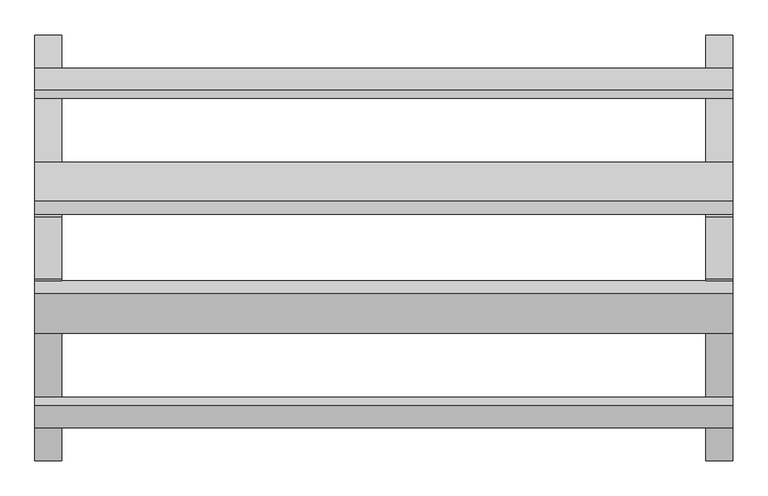
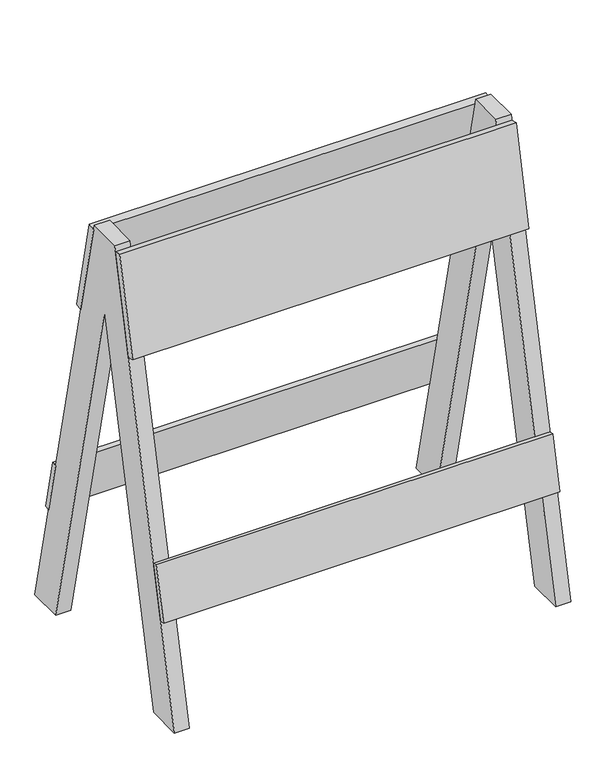
"""IFC4 building model written with IfcOpenShell, lengths in millimetres: geographic element geometry."""

from ifc_helpers import new_model, si_unit, frame, origin, place, context, project, spatial, polyline, outline, extrude, source, transform, mapped, element, save


def geographic_element_f3a5e555(model_context):
    return source(origin(), model_context, "Body", "SweptSolid", [
        extrude(outline(polyline([(0.0, -19.05), (0.0, 0.0), (1000.0, 0.0), (1000.0, -19.05), (0.0, -19.05)])), frame((629.4803909, -122.6515878, 885.4522518), z_axis=(0.0, 0.22208932905501, 0.975026322680519), x_axis=(-1.0, 0.0, 0.0)), (0.0, 0.0, 1.0), 254.0),
        extrude(outline(polyline([(0.0, -19.05), (0.0, 0.0), (1000.0, 0.0), (1000.0, -19.05), (0.0, -19.05)])), frame((629.4803909, 104.0773364, 881.22145), z_axis=(0.0, -0.22208932905501, 0.975026322680519), x_axis=(-1.0, 0.0, 0.0)), (0.0, 0.0, 1.0), 254.0),
        extrude(outline(polyline([(0.0, -12.7), (0.0, 0.0), (1000.0, 0.0), (1000.0, -12.7), (0.0, -12.7)])), frame((629.4803909, -257.4868946, 264.9002696), z_axis=(0.0, 0.22208932905500564, 0.97502632268052), x_axis=(-1.0, 0.0, 0.0)), (0.0, 0.0, 1.0), 139.7),
        extrude(outline(polyline([(0.0, -12.7), (0.0, 0.0), (1000.0, 0.0), (1000.0, -12.7), (0.0, -12.7)])), frame((629.4803909, 245.1040603, 262.0797351), z_axis=(0.0, -0.22208932905500564, 0.97502632268052), x_axis=(-1.0, 0.0, 0.0)), (0.0, 0.0, 1.0), 139.7),
        extrude(outline(polyline([(-304.8, 0.0), (-44.45, 1143.0), (44.45, 1143.0), (304.8, 0.0), (213.6229744, 0.0), (0.0, 937.8569607), (-213.6229744, 0.0), (-304.8, 0.0)])), frame((-370.5196091, 0.0, 0.0), z_axis=(1.0, 0.0, 0.0), x_axis=(0.0, 1.0, 0.0)), (0.0, 0.0, 1.0), 38.1),
        extrude(outline(polyline([(-304.8, 0.0), (-44.45, 1143.0), (44.45, 1143.0), (304.8, 0.0), (213.6229744, 0.0), (0.0, 937.8569607), (-213.6229744, 0.0), (-304.8, 0.0)])), frame((591.3803909, 0.0, 0.0), z_axis=(1.0, 0.0, 0.0), x_axis=(0.0, 1.0, 0.0)), (0.0, 0.0, 1.0), 38.1),
    ])


if __name__ == "__main__":
    model = new_model("IFC4")
    model_context = context("Model", 3, world=origin())
    ifc_project = project(units=[si_unit("LENGTHUNIT", "METRE", prefix="MILLI")], contexts=[model_context])
    site = spatial("IfcSite", under=ifc_project)
    building = spatial("IfcBuilding", under=site)
    placement = place(None, origin())
    geographic_element_shape = geographic_element_f3a5e555(model_context)
    element("IfcGeographicElement", 1, at=placement, inside=building, context=model_context, shape_type="MappedRepresentation", body=[
        mapped(geographic_element_shape, transform((0.0, 0.0, 0.0), x_axis=(1.0, 0.0, 0.0), y_axis=(0.0, 1.0, 0.0), z_axis=(0.0, 0.0, 1.0))),
    ])
    save(model, "model.ifc")
